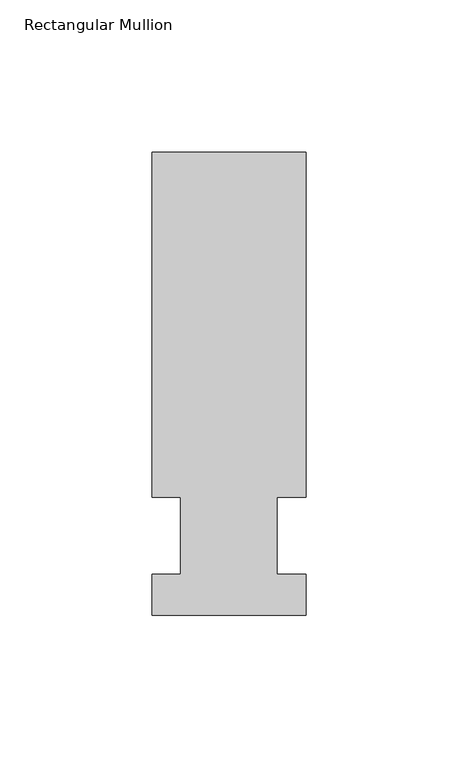
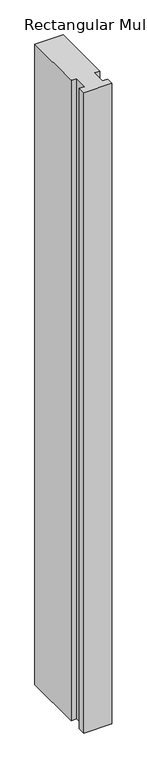
"""IFC4 building model written with IfcOpenShell, lengths in millimetres: member geometry, Rectangular Mullion."""

from ifc_helpers import new_model, si_unit, frame, origin, place, context, project, spatial, polyline, outline, extrude, source, transform, mapped, element, save


def rectangular_mullion_c4bef36c(model_context):
    return source(origin(), model_context, "Body", "SweptSolid", [
        extrude(outline(polyline([(-25.4, -26.19375), (-25.4, -12.7), (-15.875, -12.7), (-15.875, 12.7), (-25.4, 12.7), (-25.4, 126.20625), (25.4, 126.20625), (25.4, 12.7), (15.875, 12.7), (15.875, -12.7), (25.4, -12.7), (25.4, -26.19375), (-25.4, -26.19375)])), frame((0.0, 0.0, -1219.2), z_axis=(0.0, 0.0, 1.0), x_axis=(1.0, 0.0, 0.0)), (0.0, 0.0, 1.0), 1219.2),
    ])


if __name__ == "__main__":
    model = new_model("IFC4")
    model_context = context("Model", 3, world=origin())
    ifc_project = project(units=[si_unit("LENGTHUNIT", "METRE", prefix="MILLI")], contexts=[model_context])
    site = spatial("IfcSite", under=ifc_project)
    building = spatial("IfcBuilding", under=site)
    placement = place(None, origin())
    rectangular_mullion_shape = rectangular_mullion_c4bef36c(model_context)
    element("IfcMember", 1, ObjectType="Rectangular Mullion", at=placement, inside=building, context=model_context, shape_type="MappedRepresentation", body=[
        mapped(rectangular_mullion_shape, transform((0.0, 0.0, 0.0), x_axis=(1.0, 0.0, 0.0), y_axis=(0.0, 1.0, 0.0), z_axis=(0.0, 0.0, 1.0))),
    ])
    save(model, "model.ifc")
